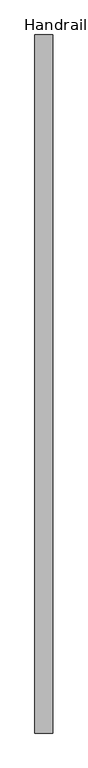
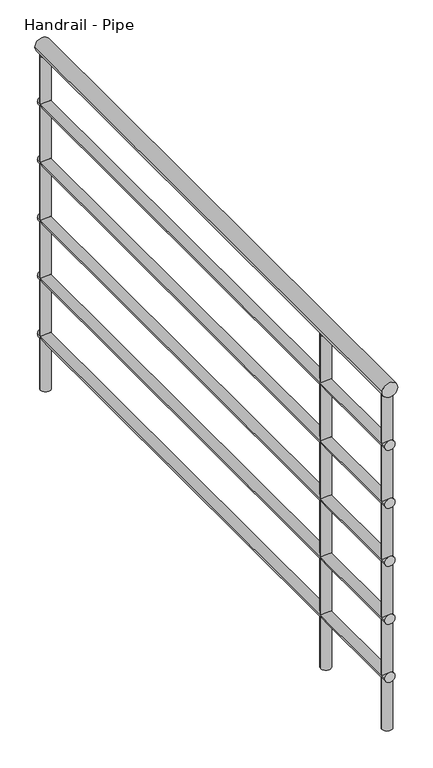
"""IFC4 building model written with IfcOpenShell, lengths in millimetres: railing geometry, Handrail - Pipe."""

from ifc_helpers import new_model, si_unit, point, frame, frame_2d, origin, origin_with_axes, place, context, project, spatial, circle_curve, trimmed, segment, composite_curve, outline, extrude, source, transform, mapped, element, save


def handrail_pipe_b8967bac(model_context):
    return source(origin(), model_context, "Body", "SweptSolid", [
        extrude(outline(composite_curve([segment(trimmed(circle_curve(frame_2d((895.35, -1283.9854491)), 19.05), [point((895.35, -1264.9354491))], [point((895.35, -1303.0354491))], False, "CARTESIAN"), True, "CONTINUOUS"), segment(trimmed(circle_curve(frame_2d((895.35, -1283.9854491)), 19.05), [point((895.35, -1303.0354491))], [point((895.35, -1264.9354491))], False, "CARTESIAN"), True, "CONTINUOUS")], self_intersect=False)), frame((0.0, 27.1062192, 0.0), z_axis=(0.0, 1.0, 0.0), x_axis=(0.0, 0.0, 1.0)), (0.0, 0.0, 1.0), 1495.0),
        extrude(outline(composite_curve([segment(trimmed(circle_curve(frame_2d((749.3, -1283.9854491)), 12.7), [point((749.3, -1271.2854491))], [point((749.3, -1296.6854491))], False, "CARTESIAN"), True, "CONTINUOUS"), segment(trimmed(circle_curve(frame_2d((749.3, -1283.9854491)), 12.7), [point((749.3, -1296.6854491))], [point((749.3, -1271.2854491))], False, "CARTESIAN"), True, "CONTINUOUS")], self_intersect=False)), frame((0.0, 27.1062192, 0.0), z_axis=(0.0, 1.0, 0.0), x_axis=(0.0, 0.0, 1.0)), (0.0, 0.0, 1.0), 1495.0),
        extrude(outline(composite_curve([segment(trimmed(circle_curve(frame_2d((596.9, -1283.9854491)), 12.7), [point((596.9, -1271.2854491))], [point((596.9, -1296.6854491))], False, "CARTESIAN"), True, "CONTINUOUS"), segment(trimmed(circle_curve(frame_2d((596.9, -1283.9854491)), 12.7), [point((596.9, -1296.6854491))], [point((596.9, -1271.2854491))], False, "CARTESIAN"), True, "CONTINUOUS")], self_intersect=False)), frame((0.0, 27.1062192, 0.0), z_axis=(0.0, 1.0, 0.0), x_axis=(0.0, 0.0, 1.0)), (0.0, 0.0, 1.0), 1495.0),
        extrude(outline(composite_curve([segment(trimmed(circle_curve(frame_2d((444.5, -1283.9854491)), 12.7), [point((444.5, -1271.2854491))], [point((444.5, -1296.6854491))], False, "CARTESIAN"), True, "CONTINUOUS"), segment(trimmed(circle_curve(frame_2d((444.5, -1283.9854491)), 12.7), [point((444.5, -1296.6854491))], [point((444.5, -1271.2854491))], False, "CARTESIAN"), True, "CONTINUOUS")], self_intersect=False)), frame((0.0, 27.1062192, 0.0), z_axis=(0.0, 1.0, 0.0), x_axis=(0.0, 0.0, 1.0)), (0.0, 0.0, 1.0), 1495.0),
        extrude(outline(composite_curve([segment(trimmed(circle_curve(frame_2d((292.1, -1283.9854491)), 12.7), [point((292.1, -1271.2854491))], [point((292.1, -1296.6854491))], False, "CARTESIAN"), True, "CONTINUOUS"), segment(trimmed(circle_curve(frame_2d((292.1, -1283.9854491)), 12.7), [point((292.1, -1296.6854491))], [point((292.1, -1271.2854491))], False, "CARTESIAN"), True, "CONTINUOUS")], self_intersect=False)), frame((0.0, 27.1062192, 0.0), z_axis=(0.0, 1.0, 0.0), x_axis=(0.0, 0.0, 1.0)), (0.0, 0.0, 1.0), 1495.0),
        extrude(outline(composite_curve([segment(trimmed(circle_curve(frame_2d((139.7, -1283.9854491)), 12.7), [point((139.7, -1271.2854491))], [point((139.7, -1296.6854491))], False, "CARTESIAN"), True, "CONTINUOUS"), segment(trimmed(circle_curve(frame_2d((139.7, -1283.9854491)), 12.7), [point((139.7, -1296.6854491))], [point((139.7, -1271.2854491))], False, "CARTESIAN"), True, "CONTINUOUS")], self_intersect=False)), frame((0.0, 27.1062192, 0.0), z_axis=(0.0, 1.0, 0.0), x_axis=(0.0, 0.0, 1.0)), (0.0, 0.0, 1.0), 1495.0),
        extrude(outline(composite_curve([segment(trimmed(circle_curve(frame_2d((-1283.9854491, 302.9062192)), 12.7), [point((-1271.2854491, 302.9062192))], [point((-1296.6854491, 302.9062192))], False, "CARTESIAN"), True, "CONTINUOUS"), segment(trimmed(circle_curve(frame_2d((-1283.9854491, 302.9062192)), 12.7), [point((-1296.6854491, 302.9062192))], [point((-1271.2854491, 302.9062192))], False, "CARTESIAN"), True, "CONTINUOUS")], self_intersect=False)), origin_with_axes(), (0.0, 0.0, 1.0), 876.3),
        extrude(outline(composite_curve([segment(trimmed(circle_curve(frame_2d((-1283.9854491, 39.8062192)), 12.7), [point((-1271.2854491, 39.8062192))], [point((-1296.6854491, 39.8062192))], False, "CARTESIAN"), True, "CONTINUOUS"), segment(trimmed(circle_curve(frame_2d((-1283.9854491, 39.8062192)), 12.7), [point((-1296.6854491, 39.8062192))], [point((-1271.2854491, 39.8062192))], False, "CARTESIAN"), True, "CONTINUOUS")], self_intersect=False)), origin_with_axes(), (0.0, 0.0, 1.0), 876.3),
        extrude(outline(composite_curve([segment(trimmed(circle_curve(frame_2d((-1283.9854491, 1509.4062192)), 12.7), [point((-1271.2854491, 1509.4062192))], [point((-1296.6854491, 1509.4062192))], False, "CARTESIAN"), True, "CONTINUOUS"), segment(trimmed(circle_curve(frame_2d((-1283.9854491, 1509.4062192)), 12.7), [point((-1296.6854491, 1509.4062192))], [point((-1271.2854491, 1509.4062192))], False, "CARTESIAN"), True, "CONTINUOUS")], self_intersect=False)), origin_with_axes(), (0.0, 0.0, 1.0), 876.3),
    ])


if __name__ == "__main__":
    model = new_model("IFC4")
    model_context = context("Model", 3, world=origin())
    ifc_project = project(units=[si_unit("LENGTHUNIT", "METRE", prefix="MILLI")], contexts=[model_context])
    site = spatial("IfcSite", under=ifc_project)
    building = spatial("IfcBuilding", under=site)
    placement = place(None, origin())
    handrail_pipe_shape = handrail_pipe_b8967bac(model_context)
    element("IfcRailing", 1, ObjectType="Handrail - Pipe", at=placement, inside=building, context=model_context, shape_type="MappedRepresentation", body=[
        mapped(handrail_pipe_shape, transform((0.0, 0.0, 0.0), x_axis=(1.0, 0.0, 0.0), y_axis=(0.0, 1.0, 0.0), z_axis=(0.0, 0.0, 1.0))),
    ])
    save(model, "model.ifc")
